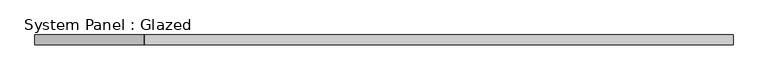
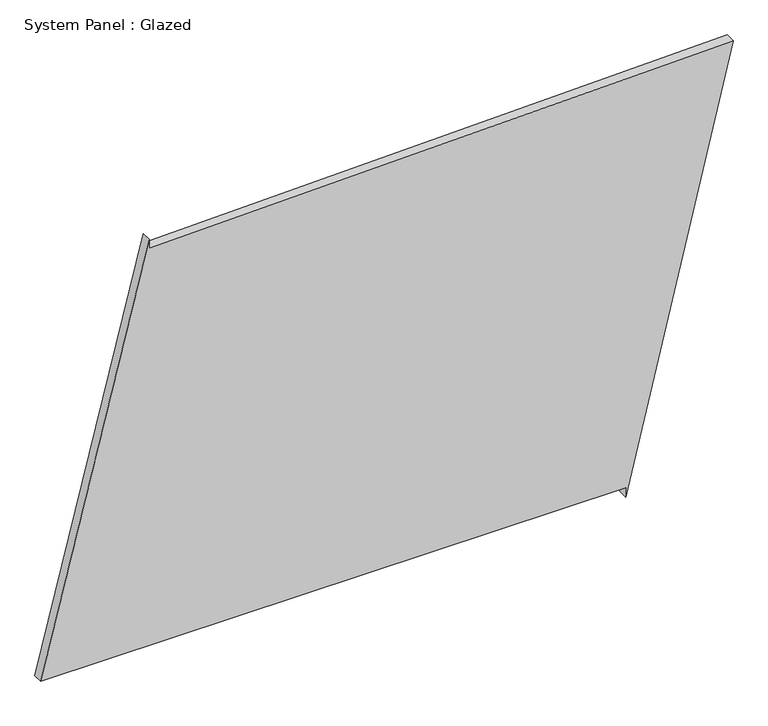
"""IFC4 building model written with IfcOpenShell, lengths in millimetres: plate geometry, System Panel : Glazed."""

from ifc_helpers import new_model, si_unit, frame, origin, place, context, project, spatial, polyline, outline, extrude, source, transform, mapped, element, save


def system_panel_glazed_b6af9296(model_context):
    return source(origin(), model_context, "Body", "SweptSolid", [
        extrude(outline(polyline([(25.0, 606.1311201), (0.0, 606.1311201), (1129.9008444, 879.2017984), (1090.9044483, -603.1349909), (1115.8958018, -603.792448), (25.0, -879.2017984), (25.0, 606.1311201)])), frame((0.0, -49.5, 0.0), z_axis=(0.0, 1.0, 0.0), x_axis=(0.0, 0.0, 1.0)), (0.0, 0.0, 1.0), 25.0),
    ])


if __name__ == "__main__":
    model = new_model("IFC4")
    model_context = context("Model", 3, world=origin())
    ifc_project = project(units=[si_unit("LENGTHUNIT", "METRE", prefix="MILLI")], contexts=[model_context])
    site = spatial("IfcSite", under=ifc_project)
    building = spatial("IfcBuilding", under=site)
    placement = place(None, origin())
    system_panel_glazed_shape = system_panel_glazed_b6af9296(model_context)
    element("IfcPlate", 1, ObjectType="System Panel : Glazed", at=placement, inside=building, context=model_context, shape_type="MappedRepresentation", body=[
        mapped(system_panel_glazed_shape, transform((0.0, 0.0, 0.0), x_axis=(1.0, 0.0, 0.0), y_axis=(0.0, 1.0, 0.0), z_axis=(0.0, 0.0, 1.0))),
    ])
    save(model, "model.ifc")
